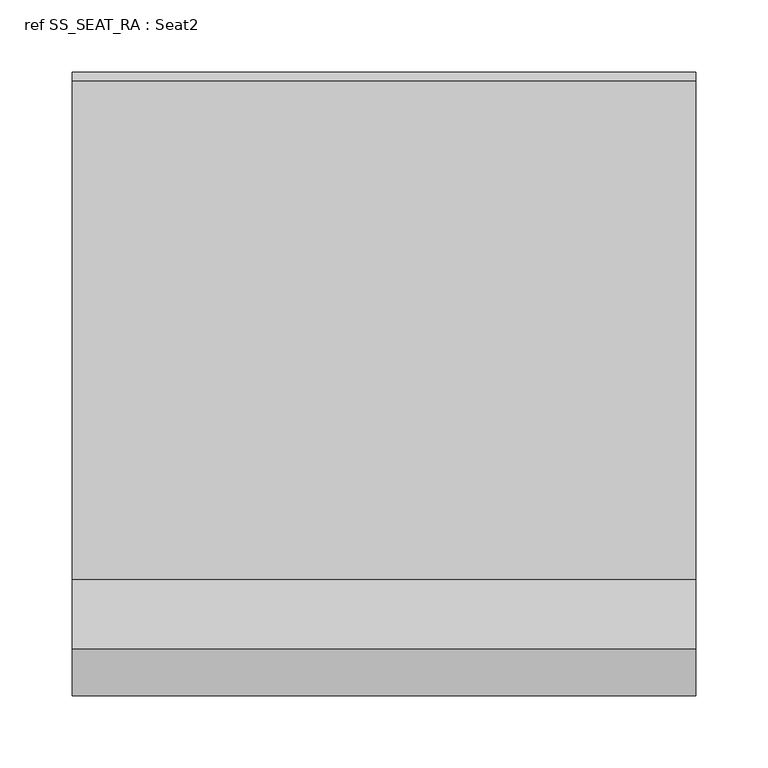
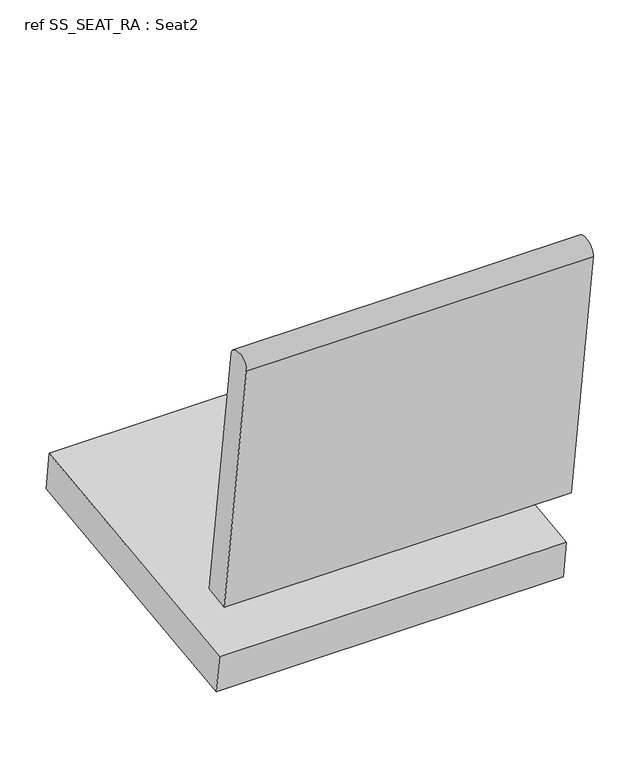
"""IFC4 building model written with IfcOpenShell, lengths in millimetres: furniture geometry, ref SS_SEAT_RA : Seat2."""

from ifc_helpers import new_model, si_unit, point, frame, origin, place, context, project, spatial, ellipse_curve, trimmed, faceted_brep, source, transform, mapped, element, save
from ifc_brep_helpers import plane_surface, extruded_surface, advanced_brep


def ref_ss_seat_ra_seat2_75dedda8(model_context):
    return source(origin(), model_context, "Body", "SolidModel", [
        faceted_brep([(-215.9, 113.9966481, 335.124464), (-215.9, 106.9255776, 385.4377448), (-215.9, 474.641539, 430.5875877), (-215.9, 480.8325016, 380.1662432), (215.9, 113.9966481, 335.124464), (215.9, 480.8325016, 380.1662432), (215.9, 474.641539, 430.5875877), (215.9, 106.9255776, 385.4377448)], [[[0, 1, 2, 3]], [[4, 5, 6, 7]], [[1, 0, 4, 7]], [[2, 1, 7, 6]], [[3, 2, 6, 5]], [[0, 3, 5, 4]]]),
        advanced_brep(
        [(-215.9, 49.1954747, 796.2087711), (-215.9, 81.7054153, 800.7777452), (-215.9, 129.4278716, 461.2148245), (-215.9, 96.917931, 456.6458503), (215.9, 49.1954747, 796.2087711), (215.9, 96.917931, 456.6458503), (215.9, 129.4278716, 461.2148245), (215.9, 81.7054153, 800.7777452)],
        [
            (0, 1, ellipse_curve(frame((-215.9, 65.450445, 798.4932581), z_axis=(-1.0, 0.0, 0.0), x_axis=(0.0, -0.9902680687415757, -0.1391731009600272)), 16.4147172, 12.7)),
            (1, 2),
            (2, 3),
            (3, 0),
            (4, 5),
            (5, 6),
            (6, 7),
            (7, 4, ellipse_curve(frame((215.9, 65.450445, 798.4932581), z_axis=(1.0, 0.0, 0.0), x_axis=(0.0, -0.9902680687415757, -0.1391731009600272)), 16.4147172, 12.7)),
            (1, 7),
            (6, 2),
            (5, 3),
            (4, 0),
        ],
        [
            plane_surface(frame((-215.9, 113.9966481, 335.124464), z_axis=(-1.0, 0.0, 0.0), x_axis=(0.0, -0.1391731009600273, 0.9902680687415757))),
            plane_surface(frame((215.9, 113.9966481, 335.124464), z_axis=(1.0, 0.0, 0.0), x_axis=(0.0, 0.1391731009600273, -0.9902680687415757))),
            plane_surface(frame((-215.9, 81.7054153, 800.7777452), z_axis=(0.0, 0.9902680687415755, 0.13917310096002888), x_axis=(1.0, 0.0, 0.0))),
            plane_surface(frame((-215.9, 129.4278716, 461.2148245), z_axis=(0.0, 0.13917310096003188, -0.990268068741575), x_axis=(1.0, 0.0, 0.0))),
            plane_surface(frame((-215.9, 96.917931, 456.6458503), z_axis=(0.0, -0.9902680687415755, -0.13917310096002874), x_axis=(1.0, 0.0, 0.0))),
            extruded_surface(trimmed(ellipse_curve(frame((431.8, 65.450445, 798.4932581), z_axis=(-1.0, 0.0, 0.0), x_axis=(0.0, -0.9902680687415757, -0.1391731009600272)), 16.4147172, 12.7), [point((431.8, 49.1954747, 796.2087711))], [point((431.8, 81.7054153, 800.7777452))], True, "CARTESIAN"), (-431.8, 0.0, 0.0), 431.8),
        ],
        [
            (0, [[1, 2, 3, 4]]),
            (1, [[5, 6, 7, 8]]),
            (2, [[-2, 9, -7, 10]]),
            (3, [[-3, -10, -6, 11]]),
            (4, [[-4, -11, -5, 12]]),
            (5, [[-1, -12, -8, -9]]),
        ],
    ),
    ])


if __name__ == "__main__":
    model = new_model("IFC4")
    model_context = context("Model", 3, world=origin())
    ifc_project = project(units=[si_unit("LENGTHUNIT", "METRE", prefix="MILLI")], contexts=[model_context])
    site = spatial("IfcSite", under=ifc_project)
    building = spatial("IfcBuilding", under=site)
    placement = place(None, origin())
    ref_ss_seat_ra_seat2_shape = ref_ss_seat_ra_seat2_75dedda8(model_context)
    element("IfcFurniture", 1, ObjectType="ref SS_SEAT_RA : Seat2", at=placement, inside=building, context=model_context, shape_type="MappedRepresentation", body=[
        mapped(ref_ss_seat_ra_seat2_shape, transform((0.0, 0.0, 0.0), x_axis=(1.0, 0.0, 0.0), y_axis=(0.0, 1.0, 0.0), z_axis=(0.0, 0.0, 1.0))),
    ])
    save(model, "model.ifc")
